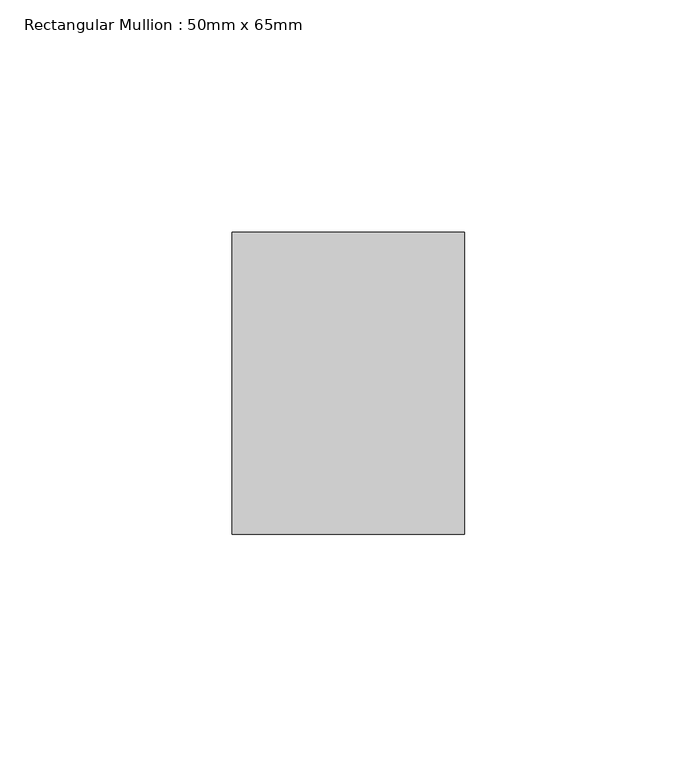
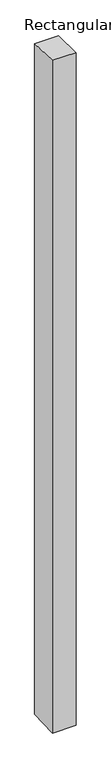
"""IFC4 building model written with IfcOpenShell, lengths in millimetres: member geometry, Rectangular Mullion : 50mm x 65mm."""

from ifc_helpers import new_model, si_unit, origin, place, context, project, spatial, faceted_brep, source, transform, mapped, element, save


def rectangular_mullion_50mm_x_65mm_34616b98(model_context):
    return source(origin(), model_context, "Body", "Brep", [
        faceted_brep([(-25.0, 32.5, -0.8979658), (25.0, 32.5, -0.8979622), (25.0, 32.5, -1498.8576867), (-25.0, 32.5, -1498.857682), (-25.0, -32.5, 0.8979622), (-25.0, -32.5, -1501.1415837), (25.0, -32.5, 0.8979658), (25.0, -32.5, -1501.1415883)], [[[0, 1, 2, 3]], [[4, 0, 3, 5]], [[6, 4, 5, 7]], [[1, 6, 7, 2]], [[1, 0, 4, 6]], [[2, 7, 5, 3]]]),
    ])


if __name__ == "__main__":
    model = new_model("IFC4")
    model_context = context("Model", 3, world=origin())
    ifc_project = project(units=[si_unit("LENGTHUNIT", "METRE", prefix="MILLI")], contexts=[model_context])
    site = spatial("IfcSite", under=ifc_project)
    building = spatial("IfcBuilding", under=site)
    placement = place(None, origin())
    rectangular_mullion_50mm_x_65mm_shape = rectangular_mullion_50mm_x_65mm_34616b98(model_context)
    element("IfcMember", 1, ObjectType="Rectangular Mullion : 50mm x 65mm", at=placement, inside=building, context=model_context, shape_type="MappedRepresentation", body=[
        mapped(rectangular_mullion_50mm_x_65mm_shape, transform((0.0, 0.0, 0.0), x_axis=(1.0, 0.0, 0.0), y_axis=(0.0, 1.0, 0.0), z_axis=(0.0, 0.0, 1.0))),
    ])
    save(model, "model.ifc")
